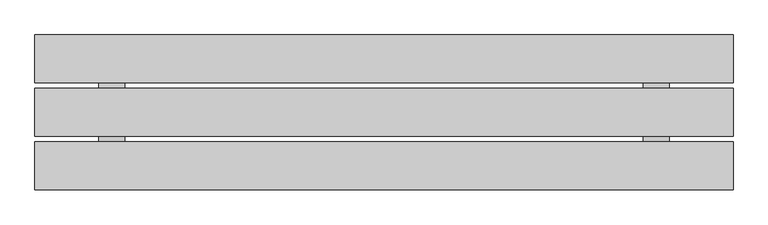
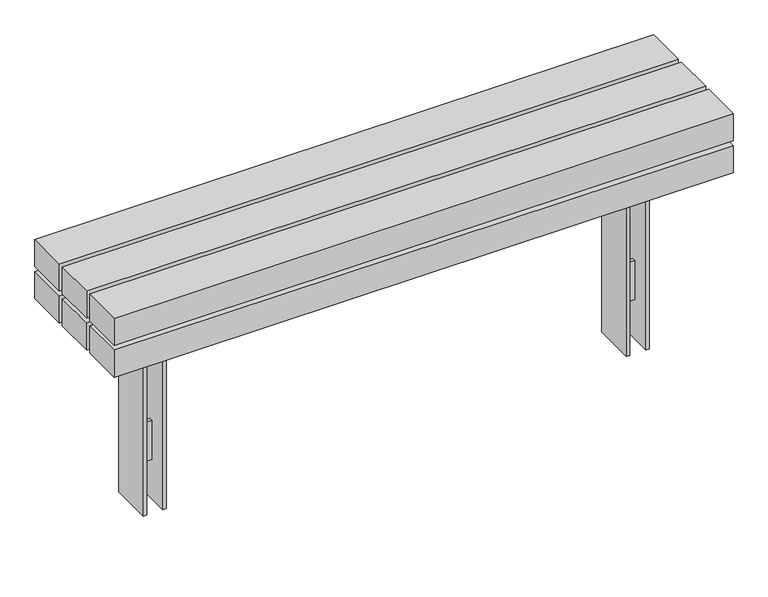
"""IFC4 building model written with IfcOpenShell, lengths in millimetres: furniture geometry."""

from ifc_helpers import new_model, si_unit, frame, origin, place, context, project, spatial, polyline, outline, extrude, faceted_brep, source, transform, mapped, element, save


def furniture_5591c765(model_context):
    return source(origin(), model_context, "Body", "SolidModel", [
        faceted_brep([(-678.5975006, -5.0, -60.0), (-725.6380966, -5.0, -60.0), (-725.6380966, -5.0, -180.0), (-678.5975006, -5.0, -180.0), (-678.5975006, 5.0, -180.0), (-725.6380966, 5.0, -180.0), (-725.6380966, 5.0, -60.0), (-678.5975006, 5.0, -60.0), (-785.6380966, -61.5083224, 258.7167987), (-735.6380966, -61.5083224, 258.7167987), (-735.6380966, -61.5083224, -300.0), (-725.6380966, -61.5083224, -300.0), (-725.6380966, -61.5083224, 268.7167987), (-785.6380966, -61.5083224, 268.7167987), (-618.5975006, -61.5083224, 258.7167987), (-618.5975006, -61.5083224, 268.7167987), (-678.5975006, -61.5083224, 268.7167987), (-678.5975006, -61.5083224, -300.0), (-668.5975006, -61.5083224, -300.0), (-668.5975006, -61.5083224, 258.7167987), (-618.5975006, 61.5083654, 258.7167987), (-668.5975006, 61.5083654, 258.7167987), (-668.5975006, 61.5083654, -300.0), (-678.5975006, 61.5083654, -300.0), (-678.5975006, 61.5083654, 268.7167987), (-618.5975006, 61.5083654, 268.7167987), (-785.6380966, 61.5083654, 258.7167987), (-785.6380966, 61.5083654, 268.7167987), (-725.6380966, 61.5083654, 268.7167987), (-725.6380966, 61.5083654, -300.0), (-735.6380966, 61.5083654, -300.0), (-735.6380966, 61.5083654, 258.7167987)], [[[0, 1, 2, 3]], [[4, 5, 6, 7]], [[1, 0, 7, 6]], [[3, 2, 5, 4]], [[8, 9, 10, 11, 12, 13]], [[14, 15, 16, 17, 18, 19]], [[20, 21, 22, 23, 24, 25]], [[26, 27, 28, 29, 30, 31]], [[9, 8, 26, 31]], [[10, 9, 31, 30]], [[19, 18, 22, 21]], [[14, 19, 21, 20]], [[15, 14, 20, 25]], [[16, 15, 25, 24]], [[17, 16, 24, 23], [0, 3, 4, 7]], [[12, 11, 29, 28], [2, 1, 6, 5]], [[13, 12, 28, 27]], [[8, 13, 27, 26]], [[11, 10, 30, 29]], [[18, 17, 23, 22]]]),
        faceted_brep([(725.6380966, -5.0, -60.0), (678.5975006, -5.0, -60.0), (678.5975006, -5.0, -180.0), (725.6380966, -5.0, -180.0), (725.6380966, 5.0, -180.0), (678.5975006, 5.0, -180.0), (678.5975006, 5.0, -60.0), (725.6380966, 5.0, -60.0), (785.6380966, -61.5083224, 258.7167987), (785.6380966, -61.5083224, 268.7167987), (725.6380966, -61.5083224, 268.7167987), (725.6380966, -61.5083224, -300.0), (735.6380966, -61.5083224, -300.0), (735.6380966, -61.5083224, 258.7167987), (618.5975006, -61.5083224, 258.7167987), (668.5975006, -61.5083224, 258.7167987), (668.5975006, -61.5083224, -300.0), (678.5975006, -61.5083224, -300.0), (678.5975006, -61.5083224, 268.7167987), (618.5975006, -61.5083224, 268.7167987), (785.6380966, 61.5083654, 258.7167987), (735.6380966, 61.5083654, 258.7167987), (735.6380966, 61.5083654, -300.0), (725.6380966, 61.5083654, -300.0), (725.6380966, 61.5083654, 268.7167987), (785.6380966, 61.5083654, 268.7167987), (618.5975006, 61.5083654, 258.7167987), (618.5975006, 61.5083654, 268.7167987), (678.5975006, 61.5083654, 268.7167987), (678.5975006, 61.5083654, -300.0), (668.5975006, 61.5083654, -300.0), (668.5975006, 61.5083654, 258.7167987)], [[[0, 1, 2, 3]], [[4, 5, 6, 7]], [[1, 0, 7, 6]], [[3, 2, 5, 4]], [[8, 9, 10, 11, 12, 13]], [[14, 15, 16, 17, 18, 19]], [[20, 21, 22, 23, 24, 25]], [[26, 27, 28, 29, 30, 31]], [[9, 8, 20, 25]], [[10, 9, 25, 24]], [[11, 10, 24, 23], [0, 3, 4, 7]], [[12, 11, 23, 22]], [[13, 12, 22, 21]], [[8, 13, 21, 20]], [[15, 14, 26, 31]], [[16, 15, 31, 30]], [[17, 16, 30, 29]], [[18, 17, 29, 28], [2, 1, 6, 5]], [[19, 18, 28, 27]], [[14, 19, 27, 26]]]),
        extrude(outline(polyline([(351.8217453, 900.0000373), (351.8217453, -900.0), (268.7167987, -900.0), (268.7167987, 900.0000373), (351.8217453, 900.0000373)]), holes=[polyline([(339.8217453, -888.0), (339.8217453, 888.0), (280.7167987, 888.0), (280.7167987, -888.0), (339.8217453, -888.0)])]), frame((0.0, -61.5000218, 0.0), z_axis=(0.0, 1.0, 0.0), x_axis=(0.0, 0.0, 1.0)), (0.0, 0.0, 1.0), 123.0000435),
        extrude(outline(polyline([(900.0, -76.5174894), (900.0, -199.5174894), (-900.0, -199.5174894), (-900.0, -76.5174894), (900.0, -76.5174894)])), frame((0.0, 0.0, 366.8258682), z_axis=(0.0, 0.0, 1.0), x_axis=(1.0, 0.0, 0.0)), (0.0, 0.0, 1.0), 83.1049466),
        extrude(outline(polyline([(900.0, 61.4888479), (900.0, -61.5111521), (-900.0, -61.5111521), (-900.0, 61.4888479), (900.0, 61.4888479)])), frame((0.0, 0.0, 366.8258682), z_axis=(0.0, 0.0, 1.0), x_axis=(1.0, 0.0, 0.0)), (0.0, 0.0, 1.0), 83.1049466),
        extrude(outline(polyline([(900.0, 199.4999782), (900.0, 76.4999782), (-900.0, 76.4999782), (-900.0, 199.4999782), (900.0, 199.4999782)])), frame((0.0, 0.0, 366.8258682), z_axis=(0.0, 0.0, 1.0), x_axis=(1.0, 0.0, 0.0)), (0.0, 0.0, 1.0), 83.1049466),
        extrude(outline(polyline([(900.0, -76.5174894), (900.0, -199.5174894), (-900.0, -199.5174894), (-900.0, -76.5174894), (900.0, -76.5174894)])), frame((0.0, 0.0, 268.7167987), z_axis=(0.0, 0.0, 1.0), x_axis=(1.0, 0.0, 0.0)), (0.0, 0.0, 1.0), 83.1049466),
        extrude(outline(polyline([(900.0, 199.4999782), (900.0, 76.4999782), (-900.0, 76.4999782), (-900.0, 199.4999782), (900.0, 199.4999782)])), frame((0.0, 0.0, 268.7167987), z_axis=(0.0, 0.0, 1.0), x_axis=(1.0, 0.0, 0.0)), (0.0, 0.0, 1.0), 83.1049466),
        extrude(outline(polyline([(735.4649994, -171.2111197), (668.4244034, -171.2111197), (668.4244034, 168.7288553), (735.4649994, 168.7288553), (735.4649994, -171.2111197)])), frame((0.0, 0.0, 351.8217453), z_axis=(0.0, 0.0, 1.0), x_axis=(1.0, 0.0, 0.0)), (0.0, 0.0, 1.0), 15.004123),
        extrude(outline(polyline([(-668.5975006, -171.2111197), (-735.6380966, -171.2111197), (-735.6380966, 168.7288553), (-668.5975006, 168.7288553), (-668.5975006, -171.2111197)])), frame((0.0, 0.0, 351.8217453), z_axis=(0.0, 0.0, 1.0), x_axis=(1.0, 0.0, 0.0)), (0.0, 0.0, 1.0), 15.004123),
    ])


if __name__ == "__main__":
    model = new_model("IFC4")
    model_context = context("Model", 3, world=origin())
    ifc_project = project(units=[si_unit("LENGTHUNIT", "METRE", prefix="MILLI")], contexts=[model_context])
    site = spatial("IfcSite", under=ifc_project)
    building = spatial("IfcBuilding", under=site)
    placement = place(None, origin())
    furniture_shape = furniture_5591c765(model_context)
    element("IfcFurniture", 1, at=placement, inside=building, context=model_context, shape_type="MappedRepresentation", body=[
        mapped(furniture_shape, transform((0.0, 0.0, 0.0), x_axis=(1.0, 0.0, 0.0), y_axis=(0.0, 1.0, 0.0), z_axis=(0.0, 0.0, 1.0))),
    ])
    save(model, "model.ifc")
